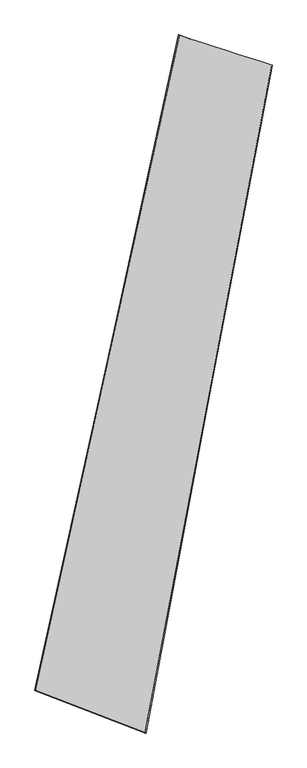
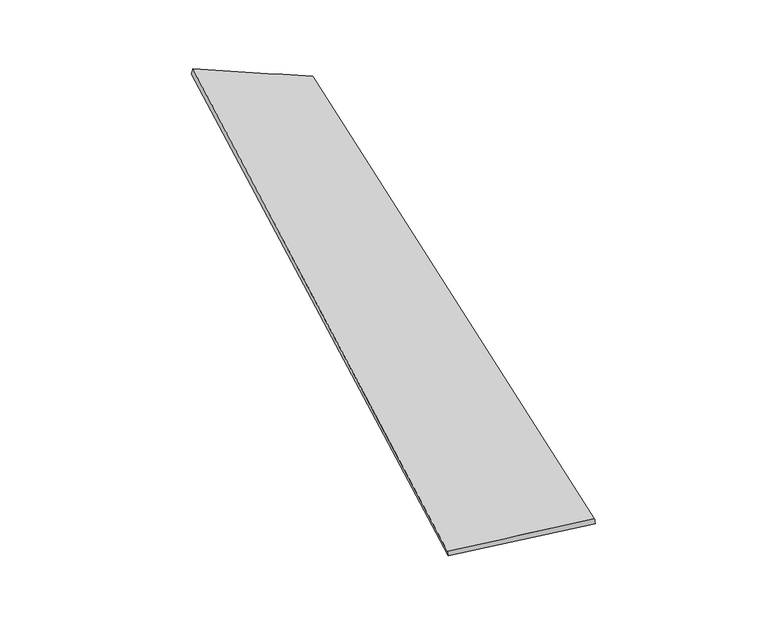
"""IFC4 building model written with IfcOpenShell, lengths in millimetres: proxy geometry."""

from ifc_helpers import new_model, si_unit, origin, place, context, project, spatial, source, transform, mapped, element, save
from ifc_brep_helpers import spline_surface, advanced_brep


def generic_models_e9a48821(model_context):
    return source(origin(), model_context, "Body", "AdvancedBrep", [
        advanced_brep(
        [(-664.0556402, -1682.2742885, -55.5617722), (-669.3863697, -1682.0230794, -26.0402509), (206.362851, 2280.0513077, 95.7098247), (199.4297589, 2282.4577119, 66.6213141), (-0.8107154, -1938.0253039, 84.7585838), (767.6489011, 2099.1992594, -36.7047084), (2.9658148, -1939.6259967, 55.0403133), (761.6600665, 2099.4425733, -66.0998553)],
        [
            (0, 1),
            (1, 2),
            (2, 3),
            (3, 0),
            (1, 4),
            (4, 5),
            (5, 2),
            (4, 6),
            (6, 7),
            (7, 5),
            (6, 0),
            (3, 7),
        ],
        [
            spline_surface(1, 1, [[(-664.0556402, -1682.2742885, -55.5617722), (199.4297589, 2282.4577119, 66.6213141)], [(-669.3863697, -1682.0230794, -26.0402509), (206.362851, 2280.0513077, 95.7098247)]], [2, 2], [2, 2], [0.0, 1.0], [0.0, 1.0]),
            spline_surface(1, 1, [[(-669.3863697, -1682.0230794, -26.0402509), (206.362851, 2280.0513077, 95.7098247)], [(-0.8107154, -1938.0253039, 84.7585838), (767.6489011, 2099.1992594, -36.7047084)]], [2, 2], [2, 2], [0.0, 1.0], [0.0, 1.0]),
            spline_surface(1, 1, [[(-0.8107154, -1938.0253039, 84.7585838), (767.6489011, 2099.1992594, -36.7047084)], [(2.9658148, -1939.6259967, 55.0403133), (761.6600665, 2099.4425733, -66.0998553)]], [2, 2], [2, 2], [0.0, 1.0], [0.0, 1.0]),
            spline_surface(1, 1, [[(2.9658148, -1939.6259967, 55.0403133), (761.6600665, 2099.4425733, -66.0998553)], [(-664.0556402, -1682.2742885, -55.5617722), (199.4297589, 2282.4577119, 66.6213141)]], [2, 2], [2, 2], [0.0, 1.0], [0.0, 1.0]),
            spline_surface(1, 1, [[(206.362851, 2280.0513077, 95.7098247), (199.4297589, 2282.4577119, 66.6213141)], [(767.6489011, 2099.1992594, -36.7047084), (761.6600665, 2099.4425733, -66.0998553)]], [2, 2], [2, 2], [0.0, 1.0], [0.0, 1.0]),
            spline_surface(1, 1, [[(2.9658148, -1939.6259967, 55.0403133), (-664.0556402, -1682.2742885, -55.5617722)], [(-0.8107154, -1938.0253039, 84.7585838), (-669.3863697, -1682.0230794, -26.0402509)]], [2, 2], [2, 2], [0.0, 1.0], [0.0, 1.0]),
        ],
        [
            (0, [[1, 2, 3, 4]]),
            (1, [[5, 6, 7, -2]]),
            (2, [[8, 9, 10, -6]]),
            (3, [[11, -4, 12, -9]]),
            (4, [[-3, -7, -10, -12]]),
            (5, [[-11, -8, -5, -1]]),
        ],
    ),
    ])


if __name__ == "__main__":
    model = new_model("IFC4")
    model_context = context("Model", 3, world=origin())
    ifc_project = project(units=[si_unit("LENGTHUNIT", "METRE", prefix="MILLI")], contexts=[model_context])
    site = spatial("IfcSite", under=ifc_project)
    building = spatial("IfcBuilding", under=site)
    placement = place(None, origin())
    generic_models_shape = generic_models_e9a48821(model_context)
    element("IfcBuildingElementProxy", 1, Name="Generic Models", at=placement, inside=building, context=model_context, shape_type="MappedRepresentation", body=[
        mapped(generic_models_shape, transform((0.0, 0.0, 0.0), x_axis=(1.0, 0.0, 0.0), y_axis=(0.0, 1.0, 0.0), z_axis=(0.0, 0.0, 1.0))),
    ])
    save(model, "model.ifc")
